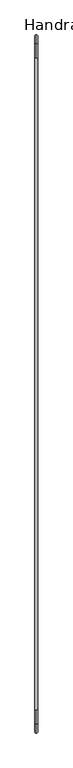
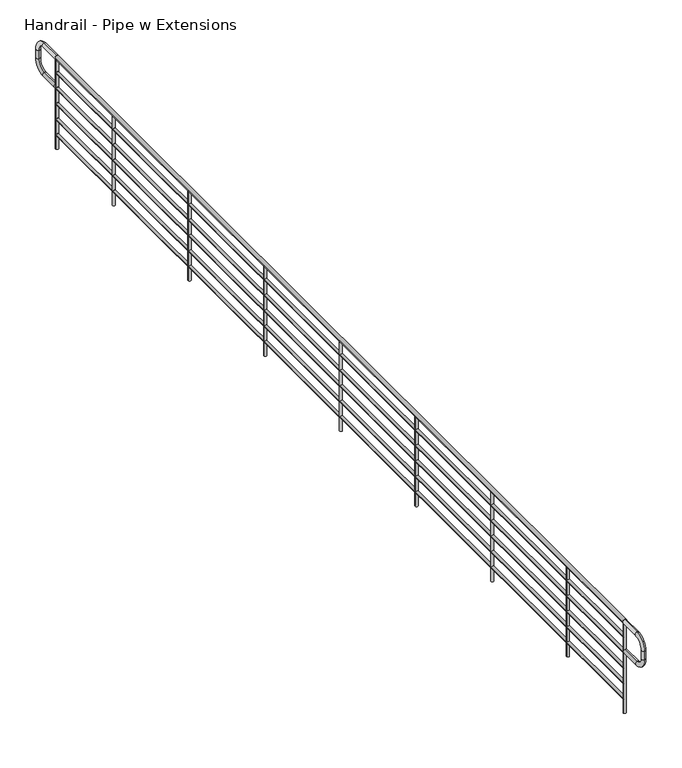
"""IFC4 building model written with IfcOpenShell, lengths in millimetres: railing geometry, Handrail - Pipe w Extensions."""

import ifcopenshell
import ifcopenshell.guid

model = None  # the IFC model being written
_history = None  # IfcOwnerHistory: only IFC2X3 demands one
_inside = {}  # id of a spatial element -> (the spatial element, [elements in it])
_under = {}  # id of a project, library or spatial element -> (it, [spatial elements below it])
_declared = {}  # id of a project -> (the project, [libraries it declares])
_typed = {}  # id of a type object -> (the type object, [elements of that type])
_made_of = {}  # id of a material, layer set ... -> (it, [elements and type objects made of it])


def new_model(schema):
    """Start an empty IFC model of exactly this schema.

    Asked for "IFC4X3", IfcOpenShell would pick the latest addendum, in which some entities
    have other attributes; the version numbers below select the first issue.
    IFC2X3 requires an IfcOwnerHistory on every rooted entity: one is made here for all.
    """
    global model, _history
    if schema == "IFC4X3":
        model = ifcopenshell.file(schema_version=(4, 3, 0, 0))
    else:
        model = ifcopenshell.file(schema=schema)
    _inside.clear()
    _under.clear()
    _declared.clear()
    _typed.clear()
    _made_of.clear()
    _history = None
    if model.schema == "IFC2X3":
        org = make("IfcOrganization", Name="unknown")
        user = make(
            "IfcPersonAndOrganization",
            ThePerson=make("IfcPerson", FamilyName="unknown"),
            TheOrganization=org,
        )
        app = make(
            "IfcApplication",
            ApplicationDeveloper=org,
            Version="unknown",
            ApplicationFullName="unknown",
            ApplicationIdentifier="unknown",
        )
        _history = make(
            "IfcOwnerHistory",
            OwningUser=user,
            OwningApplication=app,
            ChangeAction="ADDED",
            CreationDate=0,
        )
    return model


def make(cls, **values):
    """One entity of the class cls with the attributes given. An attribute that is None is left unset."""
    return model.create_entity(
        cls, **{name: value for name, value in values.items() if value is not None}
    )


def rooted(cls, **values):
    """An entity with a GlobalId (a new one), such as an element, a storey or a relation."""
    return make(cls, GlobalId=ifcopenshell.guid.new(), OwnerHistory=_history, **values)


def si_unit(unit_type, name, prefix=None):
    """IfcSIUnit, for example si_unit("LENGTHUNIT", "METRE", prefix="MILLI")."""
    return make("IfcSIUnit", UnitType=unit_type, Prefix=prefix, Name=name)


def assignment(units):
    """IfcUnitAssignment: the units of a project."""
    return None if units is None else make("IfcUnitAssignment", Units=units)


def point(xyz):
    """IfcCartesianPoint."""
    return None if xyz is None else make("IfcCartesianPoint", Coordinates=xyz)


def direction(xyz):
    """IfcDirection."""
    return None if xyz is None else make("IfcDirection", DirectionRatios=xyz)


def frame(location, z_axis=None, x_axis=None):
    """IfcAxis2Placement3D, a coordinate frame: its origin and axes. An axis left out is left unset."""
    return make(
        "IfcAxis2Placement3D",
        Location=point(location),
        Axis=direction(z_axis),
        RefDirection=direction(x_axis),
    )


def frame_2d(location, x_axis=None):
    """IfcAxis2Placement2D, a coordinate frame in the plane: its origin and x axis."""
    return make(
        "IfcAxis2Placement2D", Location=point(location), RefDirection=direction(x_axis)
    )


def origin():
    """The frame at (0, 0, 0) with its axes left unset."""
    return frame((0.0, 0.0, 0.0))


def origin_with_axes():
    """The frame at (0, 0, 0) with the z axis (0, 0, 1) and the x axis (1, 0, 0) written out."""
    return frame((0.0, 0.0, 0.0), z_axis=(0.0, 0.0, 1.0), x_axis=(1.0, 0.0, 0.0))


def place(relative_to, where):
    """IfcLocalPlacement: puts the frame where relative to a parent placement (None: the world)."""
    return make(
        "IfcLocalPlacement", PlacementRelTo=relative_to, RelativePlacement=where
    )


def context(
    kind, dimensions, precision=None, world=None, true_north=None, identifier=None
):
    """IfcGeometricRepresentationContext, for example the 3D "Model" context."""
    return make(
        "IfcGeometricRepresentationContext",
        ContextIdentifier=identifier,
        ContextType=kind,
        CoordinateSpaceDimension=dimensions,
        Precision=precision,
        WorldCoordinateSystem=world,
        TrueNorth=true_north,
    )


def project(units=None, contexts=None):
    """IfcProject with its units and contexts."""
    return rooted(
        "IfcProject",
        Name="project",
        RepresentationContexts=contexts,
        UnitsInContext=assignment(units),
    )


def spatial(cls, under=None, at=None, **own):
    """A site, building, storey or space (cls), placed at a placement, below another one or the project."""
    s = rooted(cls, ObjectPlacement=at, **own)
    if under is not None:
        _under.setdefault(under.id(), (under, []))[1].append(s)
    return s


def circle_curve(where, radius):
    """IfcCircle in the frame where."""
    return make("IfcCircle", Position=where, Radius=radius)


def ellipse_curve(where, semi_axis1, semi_axis2):
    """IfcEllipse in the frame where."""
    return make(
        "IfcEllipse", Position=where, SemiAxis1=semi_axis1, SemiAxis2=semi_axis2
    )


def trimmed(basis, trim1, trim2, sense, master):
    """IfcTrimmedCurve: the piece of a basis curve between two trims."""
    return make(
        "IfcTrimmedCurve",
        BasisCurve=basis,
        Trim1=trim1,
        Trim2=trim2,
        SenseAgreement=sense,
        MasterRepresentation=master,
    )


def segment(curve, same_sense, transition):
    """IfcCompositeCurveSegment."""
    return make(
        "IfcCompositeCurveSegment",
        Transition=transition,
        SameSense=same_sense,
        ParentCurve=curve,
    )


def composite_curve(segments, self_intersect=None):
    """IfcCompositeCurve: segments joined end to end."""
    return make("IfcCompositeCurve", Segments=segments, SelfIntersect=self_intersect)


def outline(outer, holes=None, kind="AREA"):
    """IfcArbitraryClosedProfileDef: a profile drawn as a closed curve; with holes, ...WithVoids."""
    if holes is None:
        return make("IfcArbitraryClosedProfileDef", ProfileType=kind, OuterCurve=outer)
    return make(
        "IfcArbitraryProfileDefWithVoids",
        ProfileType=kind,
        OuterCurve=outer,
        InnerCurves=holes,
    )


def extrude(swept, where, along, depth):
    """IfcExtrudedAreaSolid: the profile swept, set in the frame where, extruded along a direction by depth."""
    return make(
        "IfcExtrudedAreaSolid",
        SweptArea=swept,
        Position=where,
        ExtrudedDirection=direction(along),
        Depth=depth,
    )


def shape(context_of_items, identifier, shape_type, items):
    """IfcShapeRepresentation: the items that make up one representation, for example the "Body"."""
    return make(
        "IfcShapeRepresentation",
        ContextOfItems=context_of_items,
        RepresentationIdentifier=identifier,
        RepresentationType=shape_type,
        Items=items,
    )


def source(mapping_origin, context_of_items, identifier, shape_type, items):
    """IfcRepresentationMap: a shape defined once, which mapped items show again and again."""
    return make(
        "IfcRepresentationMap",
        MappingOrigin=mapping_origin,
        MappedRepresentation=shape(context_of_items, identifier, shape_type, items),
    )


def transform(
    local_origin,
    x_axis=None,
    y_axis=None,
    z_axis=None,
    scale=None,
    scale2=None,
    scale3=None,
    uniform=True,
):
    """IfcCartesianTransformationOperator3D, or its non-uniform kind. x_axis, y_axis, z_axis: its Axis1, 2, 3."""
    if uniform:
        return make(
            "IfcCartesianTransformationOperator3D",
            Axis1=direction(x_axis),
            Axis2=direction(y_axis),
            LocalOrigin=point(local_origin),
            Scale=scale,
            Axis3=direction(z_axis),
        )
    return make(
        "IfcCartesianTransformationOperator3DnonUniform",
        Axis1=direction(x_axis),
        Axis2=direction(y_axis),
        LocalOrigin=point(local_origin),
        Scale=scale,
        Axis3=direction(z_axis),
        Scale2=scale2,
        Scale3=scale3,
    )


def mapped(mapping_source, mapping_target):
    """IfcMappedItem: shows the shape of a source again, moved by a transform."""
    return make(
        "IfcMappedItem", MappingSource=mapping_source, MappingTarget=mapping_target
    )


def made_of(thing, what):
    """Note that an element or type object is made of a material, layer set ...; save() writes the relation."""
    if what is not None:
        _made_of.setdefault(what.id(), (what, []))[1].append(thing)
    return thing


def element(
    cls,
    number,
    at=None,
    inside=None,
    cuts=None,
    type_object=None,
    material=None,
    context=None,
    identifier="Body",
    shape_type=None,
    held_by="IfcProductDefinitionShape",
    body=None,
    shapes=None,
    **own,
):
    """One element of the class cls, such as IfcWall. Its Tag is "e" and its number.

    at: its placement. inside: the storey or other place that contains it. cuts: it is an
    opening in that element (IfcRelVoidsElement). A single representation is given by context,
    identifier, shape_type and body (its items); several are given by shapes. held_by: the class
    of the entity that holds the representations. save() writes the other relations.
    """
    e = rooted(cls, Tag="e%d" % number, ObjectPlacement=at, **own)
    if body is not None:
        shapes = [shape(context, identifier, shape_type, body)]
    if shapes is not None:
        e.Representation = make(held_by, Representations=shapes)
    if inside is not None:
        _inside.setdefault(inside.id(), (inside, []))[1].append(e)
    if cuts is not None:
        rooted(
            "IfcRelVoidsElement", RelatingBuildingElement=cuts, RelatedOpeningElement=e
        )
    if type_object is not None:
        _typed.setdefault(type_object.id(), (type_object, []))[1].append(e)
    return made_of(e, material)


def aggregate(whole, parts):
    """IfcRelAggregates: a whole, such as a stair, and the parts it consists of."""
    return rooted("IfcRelAggregates", RelatingObject=whole, RelatedObjects=parts)


def save(model, path):
    """Write the relations noted so far, then the file.

    IfcRelAggregates (storeys below a building ...), IfcRelContainedInSpatialStructure (elements
    in a storey), IfcRelDefinesByType, IfcRelAssociatesMaterial and IfcRelDeclares: one each for
    every whole, place, type object, material and project.
    """
    for whole, parts in _under.values():
        aggregate(whole, parts)
    for where, things in _inside.values():
        rooted(
            "IfcRelContainedInSpatialStructure",
            RelatedElements=things,
            RelatingStructure=where,
        )
    for kind, things in _typed.values():
        rooted("IfcRelDefinesByType", RelatedObjects=things, RelatingType=kind)
    for what, things in _made_of.values():
        rooted("IfcRelAssociatesMaterial", RelatedObjects=things, RelatingMaterial=what)
    for by, libraries in _declared.values():
        rooted("IfcRelDeclares", RelatingContext=by, RelatedDefinitions=libraries)
    model.write(path)


def plane_surface(at):
    """IfcPlane: the flat surface through the origin of the frame at, square to its z axis."""
    return make("IfcPlane", Position=at)


def cylinder_surface(at, radius):
    """IfcCylindricalSurface: all points at the distance radius from the z axis of the frame at."""
    return make("IfcCylindricalSurface", Position=at, Radius=radius)


def revolved_surface(curve, axis_point, axis_direction):
    """IfcSurfaceOfRevolution: the curve turned about the line through axis_point along axis_direction."""
    return make(
        "IfcSurfaceOfRevolution",
        SweptCurve=make("IfcArbitraryOpenProfileDef", ProfileType="CURVE", Curve=curve),
        AxisPosition=make("IfcAxis1Placement", Location=point(axis_point), Axis=direction(axis_direction)),
    )


def advanced_brep(points, edges, surfaces, faces):
    """IfcAdvancedBrep: a solid bounded by faces that lie on surfaces and meet in shared edges.

    An edge is (start, end): straight between two places in points (the first is 0);
    or (start, end, curve); or (start, end, curve, False) where it runs against its curve.
    A face is (place in surfaces, loops), or (place, loops, False) where it looks against
    its surface's normal. A loop lists edges by number (the first is 1), with a minus sign
    where the edge is run from its end to its start. The first loop is the outer one.
    """
    corners = [point(p) for p in points]
    vertices = [make("IfcVertexPoint", VertexGeometry=c) for c in corners]
    made = []
    for start, end, *more in edges:
        made.append(
            make(
                "IfcEdgeCurve",
                EdgeStart=vertices[start],
                EdgeEnd=vertices[end],
                EdgeGeometry=more[0] if more else make("IfcPolyline", Points=[corners[start], corners[end]]),
                SameSense=more[1] if len(more) > 1 else True,
            )
        )
    hull = []
    for where, loops, *sense in faces:
        bounds = []
        for j, loop in enumerate(loops):
            ring = [make("IfcOrientedEdge", EdgeElement=made[abs(k) - 1], Orientation=k > 0) for k in loop]
            bounds.append(
                make(
                    "IfcFaceOuterBound" if j == 0 else "IfcFaceBound",
                    Bound=make("IfcEdgeLoop", EdgeList=ring),
                    Orientation=True,
                )
            )
        hull.append(make("IfcAdvancedFace", Bounds=bounds, FaceSurface=surfaces[where], SameSense=sense[0] if sense else True))
    return make("IfcAdvancedBrep", Outer=make("IfcClosedShell", CfsFaces=hull))


def handrail_pipe_w_extensions_4fdb8f92(model_context):
    return source(origin(), model_context, "Body", "SolidModel", [
        extrude(outline(composite_curve([segment(trimmed(circle_curve(frame_2d((895.35, -1497.5978678)), 19.05), [point((895.35, -1478.5478678))], [point((895.35, -1516.6478678))], False, "CARTESIAN"), True, "CONTINUOUS"), segment(trimmed(circle_curve(frame_2d((895.35, -1497.5978678)), 19.05), [point((895.35, -1516.6478678))], [point((895.35, -1478.5478678))], False, "CARTESIAN"), True, "CONTINUOUS")], self_intersect=False)), frame((0.0, -14489.4143828, 0.0), z_axis=(0.0, 1.0, 0.0), x_axis=(0.0, 0.0, 1.0)), (0.0, 0.0, 1.0), 9144.0),
        extrude(outline(composite_curve([segment(trimmed(circle_curve(frame_2d((749.3, -1497.5978678)), 12.7), [point((749.3, -1484.8978678))], [point((749.3, -1510.2978678))], False, "CARTESIAN"), True, "CONTINUOUS"), segment(trimmed(circle_curve(frame_2d((749.3, -1497.5978678)), 12.7), [point((749.3, -1510.2978678))], [point((749.3, -1484.8978678))], False, "CARTESIAN"), True, "CONTINUOUS")], self_intersect=False)), frame((0.0, -14489.4143828, 0.0), z_axis=(0.0, 1.0, 0.0), x_axis=(0.0, 0.0, 1.0)), (0.0, 0.0, 1.0), 9144.0),
        extrude(outline(composite_curve([segment(trimmed(circle_curve(frame_2d((596.9, -1497.5978678)), 12.7), [point((596.9, -1484.8978678))], [point((596.9, -1510.2978678))], False, "CARTESIAN"), True, "CONTINUOUS"), segment(trimmed(circle_curve(frame_2d((596.9, -1497.5978678)), 12.7), [point((596.9, -1510.2978678))], [point((596.9, -1484.8978678))], False, "CARTESIAN"), True, "CONTINUOUS")], self_intersect=False)), frame((0.0, -14489.4143828, 0.0), z_axis=(0.0, 1.0, 0.0), x_axis=(0.0, 0.0, 1.0)), (0.0, 0.0, 1.0), 9144.0),
        extrude(outline(composite_curve([segment(trimmed(circle_curve(frame_2d((444.5, -1497.5978678)), 12.7), [point((444.5, -1484.8978678))], [point((444.5, -1510.2978678))], False, "CARTESIAN"), True, "CONTINUOUS"), segment(trimmed(circle_curve(frame_2d((444.5, -1497.5978678)), 12.7), [point((444.5, -1510.2978678))], [point((444.5, -1484.8978678))], False, "CARTESIAN"), True, "CONTINUOUS")], self_intersect=False)), frame((0.0, -14489.4143828, 0.0), z_axis=(0.0, 1.0, 0.0), x_axis=(0.0, 0.0, 1.0)), (0.0, 0.0, 1.0), 9144.0),
        extrude(outline(composite_curve([segment(trimmed(circle_curve(frame_2d((292.1, -1497.5978678)), 12.7), [point((292.1, -1484.8978678))], [point((292.1, -1510.2978678))], False, "CARTESIAN"), True, "CONTINUOUS"), segment(trimmed(circle_curve(frame_2d((292.1, -1497.5978678)), 12.7), [point((292.1, -1510.2978678))], [point((292.1, -1484.8978678))], False, "CARTESIAN"), True, "CONTINUOUS")], self_intersect=False)), frame((0.0, -14489.4143828, 0.0), z_axis=(0.0, 1.0, 0.0), x_axis=(0.0, 0.0, 1.0)), (0.0, 0.0, 1.0), 9144.0),
        extrude(outline(composite_curve([segment(trimmed(circle_curve(frame_2d((139.7, -1497.5978678)), 12.7), [point((139.7, -1484.8978678))], [point((139.7, -1510.2978678))], False, "CARTESIAN"), True, "CONTINUOUS"), segment(trimmed(circle_curve(frame_2d((139.7, -1497.5978678)), 12.7), [point((139.7, -1510.2978678))], [point((139.7, -1484.8978678))], False, "CARTESIAN"), True, "CONTINUOUS")], self_intersect=False)), frame((0.0, -14489.4143828, 0.0), z_axis=(0.0, 1.0, 0.0), x_axis=(0.0, 0.0, 1.0)), (0.0, 0.0, 1.0), 9144.0),
        extrude(outline(composite_curve([segment(trimmed(circle_curve(frame_2d((-1497.5978678, -13575.0143828)), 12.7), [point((-1484.8978678, -13575.0143828))], [point((-1510.2978678, -13575.0143828))], False, "CARTESIAN"), True, "CONTINUOUS"), segment(trimmed(circle_curve(frame_2d((-1497.5978678, -13575.0143828)), 12.7), [point((-1510.2978678, -13575.0143828))], [point((-1484.8978678, -13575.0143828))], False, "CARTESIAN"), True, "CONTINUOUS")], self_intersect=False)), origin_with_axes(), (0.0, 0.0, 1.0), 876.3),
        extrude(outline(composite_curve([segment(trimmed(circle_curve(frame_2d((-1497.5978678, -12355.8143828)), 12.7), [point((-1484.8978678, -12355.8143828))], [point((-1510.2978678, -12355.8143828))], False, "CARTESIAN"), True, "CONTINUOUS"), segment(trimmed(circle_curve(frame_2d((-1497.5978678, -12355.8143828)), 12.7), [point((-1510.2978678, -12355.8143828))], [point((-1484.8978678, -12355.8143828))], False, "CARTESIAN"), True, "CONTINUOUS")], self_intersect=False)), origin_with_axes(), (0.0, 0.0, 1.0), 876.3),
        extrude(outline(composite_curve([segment(trimmed(circle_curve(frame_2d((-1497.5978678, -11136.6143828)), 12.7), [point((-1484.8978678, -11136.6143828))], [point((-1510.2978678, -11136.6143828))], False, "CARTESIAN"), True, "CONTINUOUS"), segment(trimmed(circle_curve(frame_2d((-1497.5978678, -11136.6143828)), 12.7), [point((-1510.2978678, -11136.6143828))], [point((-1484.8978678, -11136.6143828))], False, "CARTESIAN"), True, "CONTINUOUS")], self_intersect=False)), origin_with_axes(), (0.0, 0.0, 1.0), 876.3),
        extrude(outline(composite_curve([segment(trimmed(circle_curve(frame_2d((-1497.5978678, -9917.4143828)), 12.7), [point((-1484.8978678, -9917.4143828))], [point((-1510.2978678, -9917.4143828))], False, "CARTESIAN"), True, "CONTINUOUS"), segment(trimmed(circle_curve(frame_2d((-1497.5978678, -9917.4143828)), 12.7), [point((-1510.2978678, -9917.4143828))], [point((-1484.8978678, -9917.4143828))], False, "CARTESIAN"), True, "CONTINUOUS")], self_intersect=False)), origin_with_axes(), (0.0, 0.0, 1.0), 876.3),
        extrude(outline(composite_curve([segment(trimmed(circle_curve(frame_2d((-1497.5978678, -8698.2143828)), 12.7), [point((-1484.8978678, -8698.2143828))], [point((-1510.2978678, -8698.2143828))], False, "CARTESIAN"), True, "CONTINUOUS"), segment(trimmed(circle_curve(frame_2d((-1497.5978678, -8698.2143828)), 12.7), [point((-1510.2978678, -8698.2143828))], [point((-1484.8978678, -8698.2143828))], False, "CARTESIAN"), True, "CONTINUOUS")], self_intersect=False)), origin_with_axes(), (0.0, 0.0, 1.0), 876.3),
        extrude(outline(composite_curve([segment(trimmed(circle_curve(frame_2d((-1497.5978678, -7479.0143828)), 12.7), [point((-1484.8978678, -7479.0143828))], [point((-1510.2978678, -7479.0143828))], False, "CARTESIAN"), True, "CONTINUOUS"), segment(trimmed(circle_curve(frame_2d((-1497.5978678, -7479.0143828)), 12.7), [point((-1510.2978678, -7479.0143828))], [point((-1484.8978678, -7479.0143828))], False, "CARTESIAN"), True, "CONTINUOUS")], self_intersect=False)), origin_with_axes(), (0.0, 0.0, 1.0), 876.3),
        extrude(outline(composite_curve([segment(trimmed(circle_curve(frame_2d((-1497.5978678, -6259.8143828)), 12.7), [point((-1484.8978678, -6259.8143828))], [point((-1510.2978678, -6259.8143828))], False, "CARTESIAN"), True, "CONTINUOUS"), segment(trimmed(circle_curve(frame_2d((-1497.5978678, -6259.8143828)), 12.7), [point((-1510.2978678, -6259.8143828))], [point((-1484.8978678, -6259.8143828))], False, "CARTESIAN"), True, "CONTINUOUS")], self_intersect=False)), origin_with_axes(), (0.0, 0.0, 1.0), 876.3),
        advanced_brep(
        [(-1497.5978678, -14502.1143828, 628.65), (-1497.5978678, -14502.1143828, 590.55), (-1497.5978678, -14692.6143828, 628.65), (-1497.5978678, -14692.6143828, 590.55), (-1497.5978678, -14813.2643828, 711.2), (-1497.5978678, -14775.1643828, 711.2), (-1497.5978678, -14775.1643828, 793.75), (-1497.5978678, -14813.2643828, 793.75), (-1497.5978678, -14692.6143828, 914.4), (-1497.5978678, -14692.6143828, 876.3), (-1497.5978678, -14489.4143828, 876.3), (-1497.5978678, -14489.4143828, 914.4)],
        [
            (0, 1, circle_curve(frame((-1497.5978678, -14502.1143828, 609.6), z_axis=(0.0, 1.0, 0.0), x_axis=(0.0, 0.0, -1.0)), 19.05)),
            (1, 0, circle_curve(frame((-1497.5978678, -14502.1143828, 609.6), z_axis=(0.0, 1.0, 0.0), x_axis=(0.0, 0.0, -1.0)), 19.05)),
            (0, 2),
            (2, 3, circle_curve(frame((-1497.5978678, -14692.6143828, 609.6), z_axis=(0.0, 1.0, 0.0), x_axis=(0.0, 0.0, -1.0)), 19.05)),
            (3, 1),
            (3, 2, circle_curve(frame((-1497.5978678, -14692.6143828, 609.6), z_axis=(0.0, 1.0, 0.0), x_axis=(0.0, 0.0, -1.0)), 19.05)),
            (4, 3, circle_curve(frame((-1497.5978678, -14692.6143828, 711.2), z_axis=(1.0, 0.0, 0.0), x_axis=(0.0, 0.0, -1.0)), 120.65)),
            (2, 5, circle_curve(frame((-1497.5978678, -14692.6143828, 711.2), z_axis=(-1.0, 0.0, 0.0), x_axis=(0.0, 0.0, -1.0)), 82.55)),
            (5, 4, circle_curve(frame((-1497.5978678, -14794.2143828, 711.2), z_axis=(0.0, 0.0, -1.0), x_axis=(0.0, -1.0, 0.0)), 19.05)),
            (4, 5, circle_curve(frame((-1497.5978678, -14794.2143828, 711.2), z_axis=(0.0, 0.0, -1.0), x_axis=(0.0, -1.0, 0.0)), 19.05)),
            (5, 6),
            (6, 7, circle_curve(frame((-1497.5978678, -14794.2143828, 793.75), z_axis=(0.0, 0.0, -1.0), x_axis=(0.0, -1.0, 0.0)), 19.05)),
            (7, 4),
            (7, 6, circle_curve(frame((-1497.5978678, -14794.2143828, 793.75), z_axis=(0.0, 0.0, -1.0), x_axis=(0.0, -1.0, 0.0)), 19.05)),
            (8, 7, circle_curve(frame((-1497.5978678, -14692.6143828, 793.75), z_axis=(1.0, 0.0, 0.0), x_axis=(0.0, -1.0, 0.0)), 120.65)),
            (6, 9, circle_curve(frame((-1497.5978678, -14692.6143828, 793.75), z_axis=(-1.0, 0.0, 0.0), x_axis=(0.0, -1.0, 0.0)), 82.55)),
            (9, 8, circle_curve(frame((-1497.5978678, -14692.6143828, 895.35), z_axis=(0.0, -1.0, 0.0), x_axis=(0.0, 0.0, 1.0)), 19.05)),
            (8, 9, circle_curve(frame((-1497.5978678, -14692.6143828, 895.35), z_axis=(0.0, -1.0, 0.0), x_axis=(0.0, 0.0, 1.0)), 19.05)),
            (10, 11, circle_curve(frame((-1497.5978678, -14489.4143828, 895.35), z_axis=(0.0, 1.0, 0.0), x_axis=(0.0, 0.0, 1.0)), 19.05)),
            (11, 10, circle_curve(frame((-1497.5978678, -14489.4143828, 895.35), z_axis=(0.0, 1.0, 0.0), x_axis=(0.0, 0.0, 1.0)), 19.05)),
            (9, 10),
            (11, 8),
        ],
        [
            plane_surface(frame((-1516.6478678, -14502.1143828, 609.6), z_axis=(0.0, 1.0, 0.0), x_axis=(0.0, 0.0, -1.0))),
            cylinder_surface(frame((-1497.5978678, -14502.1143828, 609.6), z_axis=(0.0, 1.0, 0.0), x_axis=(0.0, 0.0, -1.0)), 19.05),
            revolved_surface(trimmed(ellipse_curve(frame((-1497.5978678, -14692.6143828, 609.6), z_axis=(0.0, 1.0, 0.0), x_axis=(0.0, 0.0, -1.0)), 19.05, 19.05), [point((-1497.5978678, -14692.6143828, 628.65))], [point((-1497.5978678, -14692.6143828, 590.55))], True, "CARTESIAN"), (-1497.5978678, -14692.6143828, 711.2), (-1.0, 0.0, 0.0)),
            revolved_surface(trimmed(ellipse_curve(frame((-1497.5978678, -14692.6143828, 609.6), z_axis=(0.0, 1.0, 0.0), x_axis=(0.0, 0.0, -1.0)), 19.05, 19.05), [point((-1497.5978678, -14692.6143828, 590.55))], [point((-1497.5978678, -14692.6143828, 628.65))], True, "CARTESIAN"), (-1497.5978678, -14692.6143828, 711.2), (-1.0, 0.0, 0.0)),
            cylinder_surface(frame((-1497.5978678, -14794.2143828, 711.2), z_axis=(0.0, 0.0, -1.0), x_axis=(0.0, -1.0, 0.0)), 19.05),
            revolved_surface(trimmed(ellipse_curve(frame((-1497.5978678, -14794.2143828, 793.75), z_axis=(0.0, 0.0, -1.0), x_axis=(0.0, -1.0, 0.0)), 19.05, 19.05), [point((-1497.5978678, -14775.1643828, 793.75))], [point((-1497.5978678, -14813.2643828, 793.75))], True, "CARTESIAN"), (-1497.5978678, -14692.6143828, 793.75), (-1.0, 0.0, 0.0)),
            revolved_surface(trimmed(ellipse_curve(frame((-1497.5978678, -14794.2143828, 793.75), z_axis=(0.0, 0.0, -1.0), x_axis=(0.0, -1.0, 0.0)), 19.05, 19.05), [point((-1497.5978678, -14813.2643828, 793.75))], [point((-1497.5978678, -14775.1643828, 793.75))], True, "CARTESIAN"), (-1497.5978678, -14692.6143828, 793.75), (-1.0, 0.0, 0.0)),
            plane_surface(frame((-1516.6478678, -14489.4143828, 895.35), z_axis=(0.0, 1.0, 0.0), x_axis=(0.0, 0.0, 1.0))),
            cylinder_surface(frame((-1497.5978678, -14692.6143828, 895.35), z_axis=(0.0, -1.0, 0.0), x_axis=(0.0, 0.0, 1.0)), 19.05),
        ],
        [
            (0, [[1, 2]]),
            (1, [[-1, 3, 4, 5]]),
            (1, [[-2, -5, 6, -3]]),
            (2, [[7, -4, 8, 9]]),
            (3, [[-8, -6, -7, 10]]),
            (4, [[-9, 11, 12, 13]]),
            (4, [[-10, -13, 14, -11]]),
            (5, [[15, -12, 16, 17]]),
            (6, [[-16, -14, -15, 18]]),
            (7, [[19, 20]]),
            (8, [[-17, 21, -20, 22]]),
            (8, [[-18, -22, -19, -21]]),
        ],
    ),
        extrude(outline(composite_curve([segment(trimmed(circle_curve(frame_2d((-1497.5978678, -14489.4143828)), 12.7), [point((-1510.2978678, -14489.4143828))], [point((-1484.8978678, -14489.4143828))], False, "CARTESIAN"), True, "CONTINUOUS"), segment(trimmed(circle_curve(frame_2d((-1497.5978678, -14489.4143828)), 12.7), [point((-1484.8978678, -14489.4143828))], [point((-1510.2978678, -14489.4143828))], False, "CARTESIAN"), True, "CONTINUOUS")], self_intersect=False)), origin_with_axes(), (0.0, 0.0, 1.0), 876.3),
        advanced_brep(
        [(-1497.5978678, -5345.4143828, 876.3), (-1497.5978678, -5345.4143828, 914.4), (-1497.5978678, -5142.2143828, 876.3), (-1497.5978678, -5142.2143828, 914.4), (-1497.5978678, -5021.5643828, 793.75), (-1497.5978678, -5059.6643828, 793.75), (-1497.5978678, -5059.6643828, 711.2), (-1497.5978678, -5021.5643828, 711.2), (-1497.5978678, -5142.2143828, 590.55), (-1497.5978678, -5142.2143828, 628.65), (-1497.5978678, -5332.7143828, 628.65), (-1497.5978678, -5332.7143828, 590.55)],
        [
            (0, 1, circle_curve(frame((-1497.5978678, -5345.4143828, 895.35), z_axis=(0.0, -1.0, 0.0), x_axis=(0.0, 0.0, 1.0)), 19.05)),
            (1, 0, circle_curve(frame((-1497.5978678, -5345.4143828, 895.35), z_axis=(0.0, -1.0, 0.0), x_axis=(0.0, 0.0, 1.0)), 19.05)),
            (0, 2),
            (2, 3, circle_curve(frame((-1497.5978678, -5142.2143828, 895.35), z_axis=(0.0, -1.0, 0.0), x_axis=(0.0, 0.0, 1.0)), 19.05)),
            (3, 1),
            (3, 2, circle_curve(frame((-1497.5978678, -5142.2143828, 895.35), z_axis=(0.0, -1.0, 0.0), x_axis=(0.0, 0.0, 1.0)), 19.05)),
            (4, 3, circle_curve(frame((-1497.5978678, -5142.2143828, 793.75), z_axis=(1.0, 0.0, 0.0), x_axis=(0.0, 0.0, 1.0)), 120.65)),
            (2, 5, circle_curve(frame((-1497.5978678, -5142.2143828, 793.75), z_axis=(-1.0, 0.0, 0.0), x_axis=(0.0, 0.0, 1.0)), 82.55)),
            (5, 4, circle_curve(frame((-1497.5978678, -5040.6143828, 793.75), z_axis=(0.0, 0.0, 1.0), x_axis=(0.0, 1.0, 0.0)), 19.05)),
            (4, 5, circle_curve(frame((-1497.5978678, -5040.6143828, 793.75), z_axis=(0.0, 0.0, 1.0), x_axis=(0.0, 1.0, 0.0)), 19.05)),
            (5, 6),
            (6, 7, circle_curve(frame((-1497.5978678, -5040.6143828, 711.2), z_axis=(0.0, 0.0, 1.0), x_axis=(0.0, 1.0, 0.0)), 19.05)),
            (7, 4),
            (7, 6, circle_curve(frame((-1497.5978678, -5040.6143828, 711.2), z_axis=(0.0, 0.0, 1.0), x_axis=(0.0, 1.0, 0.0)), 19.05)),
            (8, 7, circle_curve(frame((-1497.5978678, -5142.2143828, 711.2), z_axis=(1.0, 0.0, 0.0), x_axis=(0.0, 1.0, 0.0)), 120.65)),
            (6, 9, circle_curve(frame((-1497.5978678, -5142.2143828, 711.2), z_axis=(-1.0, 0.0, 0.0), x_axis=(0.0, 1.0, 0.0)), 82.55)),
            (9, 8, circle_curve(frame((-1497.5978678, -5142.2143828, 609.6), z_axis=(0.0, 1.0, 0.0), x_axis=(0.0, 0.0, -1.0)), 19.05)),
            (8, 9, circle_curve(frame((-1497.5978678, -5142.2143828, 609.6), z_axis=(0.0, 1.0, 0.0), x_axis=(0.0, 0.0, -1.0)), 19.05)),
            (10, 11, circle_curve(frame((-1497.5978678, -5332.7143828, 609.6), z_axis=(0.0, -1.0, 0.0), x_axis=(0.0, 0.0, -1.0)), 19.05)),
            (11, 10, circle_curve(frame((-1497.5978678, -5332.7143828, 609.6), z_axis=(0.0, -1.0, 0.0), x_axis=(0.0, 0.0, -1.0)), 19.05)),
            (9, 10),
            (11, 8),
        ],
        [
            plane_surface(frame((-1516.6478678, -5345.4143828, 895.35), z_axis=(0.0, -1.0, 0.0), x_axis=(0.0, 0.0, 1.0))),
            cylinder_surface(frame((-1497.5978678, -5345.4143828, 895.35), z_axis=(0.0, -1.0, 0.0), x_axis=(0.0, 0.0, 1.0)), 19.05),
            revolved_surface(trimmed(ellipse_curve(frame((-1497.5978678, -5142.2143828, 895.35), z_axis=(0.0, -1.0, 0.0), x_axis=(0.0, 0.0, 1.0)), 19.05, 19.05), [point((-1497.5978678, -5142.2143828, 876.3))], [point((-1497.5978678, -5142.2143828, 914.4))], True, "CARTESIAN"), (-1497.5978678, -5142.2143828, 793.75), (-1.0, 0.0, 0.0)),
            revolved_surface(trimmed(ellipse_curve(frame((-1497.5978678, -5142.2143828, 895.35), z_axis=(0.0, -1.0, 0.0), x_axis=(0.0, 0.0, 1.0)), 19.05, 19.05), [point((-1497.5978678, -5142.2143828, 914.4))], [point((-1497.5978678, -5142.2143828, 876.3))], True, "CARTESIAN"), (-1497.5978678, -5142.2143828, 793.75), (-1.0, 0.0, 0.0)),
            cylinder_surface(frame((-1497.5978678, -5040.6143828, 793.75), z_axis=(0.0, 0.0, 1.0), x_axis=(0.0, 1.0, 0.0)), 19.05),
            revolved_surface(trimmed(ellipse_curve(frame((-1497.5978678, -5040.6143828, 711.2), z_axis=(0.0, 0.0, 1.0), x_axis=(0.0, 1.0, 0.0)), 19.05, 19.05), [point((-1497.5978678, -5059.6643828, 711.2))], [point((-1497.5978678, -5021.5643828, 711.2))], True, "CARTESIAN"), (-1497.5978678, -5142.2143828, 711.2), (-1.0, 0.0, 0.0)),
            revolved_surface(trimmed(ellipse_curve(frame((-1497.5978678, -5040.6143828, 711.2), z_axis=(0.0, 0.0, 1.0), x_axis=(0.0, 1.0, 0.0)), 19.05, 19.05), [point((-1497.5978678, -5021.5643828, 711.2))], [point((-1497.5978678, -5059.6643828, 711.2))], True, "CARTESIAN"), (-1497.5978678, -5142.2143828, 711.2), (-1.0, 0.0, 0.0)),
            plane_surface(frame((-1516.6478678, -5332.7143828, 609.6), z_axis=(0.0, -1.0, 0.0), x_axis=(0.0, 0.0, -1.0))),
            cylinder_surface(frame((-1497.5978678, -5142.2143828, 609.6), z_axis=(0.0, 1.0, 0.0), x_axis=(0.0, 0.0, -1.0)), 19.05),
        ],
        [
            (0, [[1, 2]]),
            (1, [[-1, 3, 4, 5]]),
            (1, [[-2, -5, 6, -3]]),
            (2, [[7, -4, 8, 9]]),
            (3, [[-8, -6, -7, 10]]),
            (4, [[-9, 11, 12, 13]]),
            (4, [[-10, -13, 14, -11]]),
            (5, [[15, -12, 16, 17]]),
            (6, [[-16, -14, -15, 18]]),
            (7, [[19, 20]]),
            (8, [[-17, 21, -20, 22]]),
            (8, [[-18, -22, -19, -21]]),
        ],
    ),
        extrude(outline(composite_curve([segment(trimmed(circle_curve(frame_2d((-1497.5978678, -5345.4143828)), 12.7), [point((-1510.2978678, -5345.4143828))], [point((-1484.8978678, -5345.4143828))], False, "CARTESIAN"), True, "CONTINUOUS"), segment(trimmed(circle_curve(frame_2d((-1497.5978678, -5345.4143828)), 12.7), [point((-1484.8978678, -5345.4143828))], [point((-1510.2978678, -5345.4143828))], False, "CARTESIAN"), True, "CONTINUOUS")], self_intersect=False)), origin_with_axes(), (0.0, 0.0, 1.0), 876.3),
    ])


if __name__ == "__main__":
    model = new_model("IFC4")
    model_context = context("Model", 3, world=origin())
    ifc_project = project(units=[si_unit("LENGTHUNIT", "METRE", prefix="MILLI")], contexts=[model_context])
    site = spatial("IfcSite", under=ifc_project)
    building = spatial("IfcBuilding", under=site)
    placement = place(None, origin())
    handrail_pipe_w_extensions_shape = handrail_pipe_w_extensions_4fdb8f92(model_context)
    element("IfcRailing", 1, ObjectType="Handrail - Pipe w Extensions", at=placement, inside=building, context=model_context, shape_type="MappedRepresentation", body=[
        mapped(handrail_pipe_w_extensions_shape, transform((0.0, 0.0, 0.0), x_axis=(1.0, 0.0, 0.0), y_axis=(0.0, 1.0, 0.0), z_axis=(0.0, 0.0, 1.0))),
    ])
    save(model, "model.ifc")
